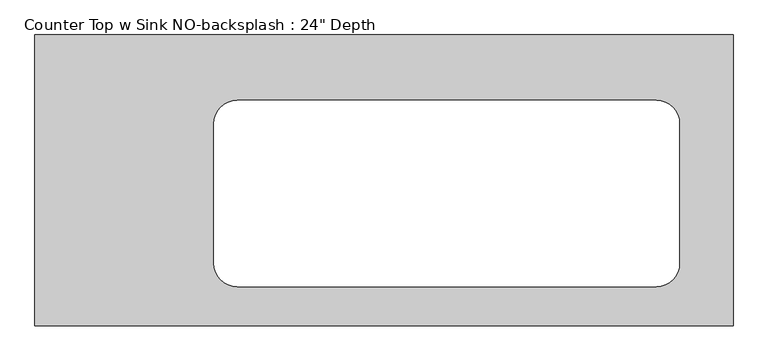
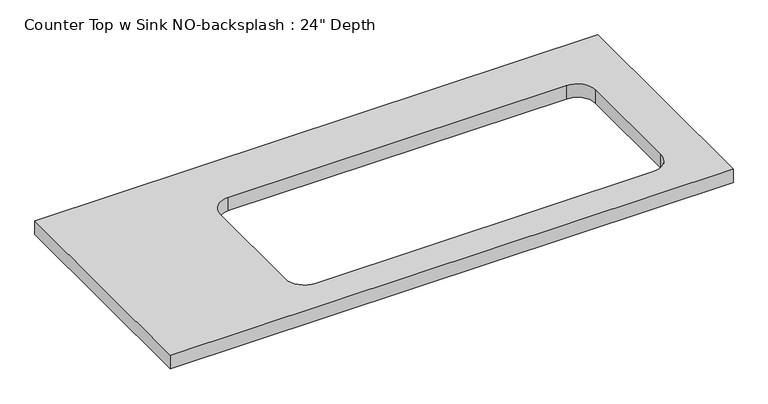
"""IFC4 building model written with IfcOpenShell, lengths in millimetres: furniture geometry."""

from ifc_helpers import new_model, si_unit, point, frame, frame_2d, origin, place, context, project, spatial, polyline, circle_curve, trimmed, segment, composite_curve, outline, extrude, source, transform, mapped, element, save


def furniture_72d99af4(model_context):
    return source(origin(), model_context, "Body", "SweptSolid", [
        extrude(outline(polyline([(323.365255, 0.0), (323.365255, -635.0), (-1200.4622951, -635.0), (-1200.4622951, 0.0), (323.365255, 0.0)]), holes=[composite_curve([segment(polyline([(155.5297833, -142.875), (-758.8702167, -142.875)]), True, "CONTINUOUS"), segment(trimmed(circle_curve(frame_2d((-758.8702167, -193.675)), 50.8), [point((-758.8702167, -142.875))], [point((-809.6702167, -193.675))], True, "CARTESIAN"), True, "CONTINUOUS"), segment(polyline([(-809.6702167, -193.675), (-809.6702167, -498.475)]), True, "CONTINUOUS"), segment(trimmed(circle_curve(frame_2d((-758.8702167, -498.475)), 50.8), [point((-809.6702167, -498.475))], [point((-758.8702167, -549.275))], True, "CARTESIAN"), True, "CONTINUOUS"), segment(polyline([(-758.8702167, -549.275), (155.5297833, -549.275)]), True, "CONTINUOUS"), segment(trimmed(circle_curve(frame_2d((155.5297833, -498.475)), 50.8), [point((155.5297833, -549.275))], [point((206.3297833, -498.475))], True, "CARTESIAN"), True, "CONTINUOUS"), segment(polyline([(206.3297833, -498.475), (206.3297833, -193.675)]), True, "CONTINUOUS"), segment(trimmed(circle_curve(frame_2d((155.5297833, -193.675)), 50.8), [point((206.3297833, -193.675))], [point((155.5297833, -142.875))], True, "CARTESIAN"), True, "CONTINUOUS")], self_intersect=False)]), frame((0.0, 0.0, 876.3), z_axis=(0.0, 0.0, 1.0), x_axis=(1.0, 0.0, 0.0)), (0.0, 0.0, 1.0), 38.1),
    ])


if __name__ == "__main__":
    model = new_model("IFC4")
    model_context = context("Model", 3, world=origin())
    ifc_project = project(units=[si_unit("LENGTHUNIT", "METRE", prefix="MILLI")], contexts=[model_context])
    site = spatial("IfcSite", under=ifc_project)
    building = spatial("IfcBuilding", under=site)
    placement = place(None, origin())
    furniture_shape = furniture_72d99af4(model_context)
    element("IfcFurniture", 1, ObjectType="Counter Top w Sink NO-backsplash : 24\" Depth", at=placement, inside=building, context=model_context, shape_type="MappedRepresentation", body=[
        mapped(furniture_shape, transform((0.0, 0.0, 0.0), x_axis=(1.0, 0.0, 0.0), y_axis=(0.0, 1.0, 0.0), z_axis=(0.0, 0.0, 1.0))),
    ])
    save(model, "model.ifc")
